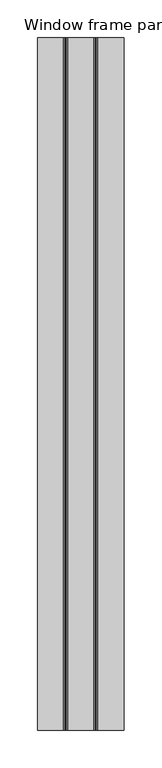
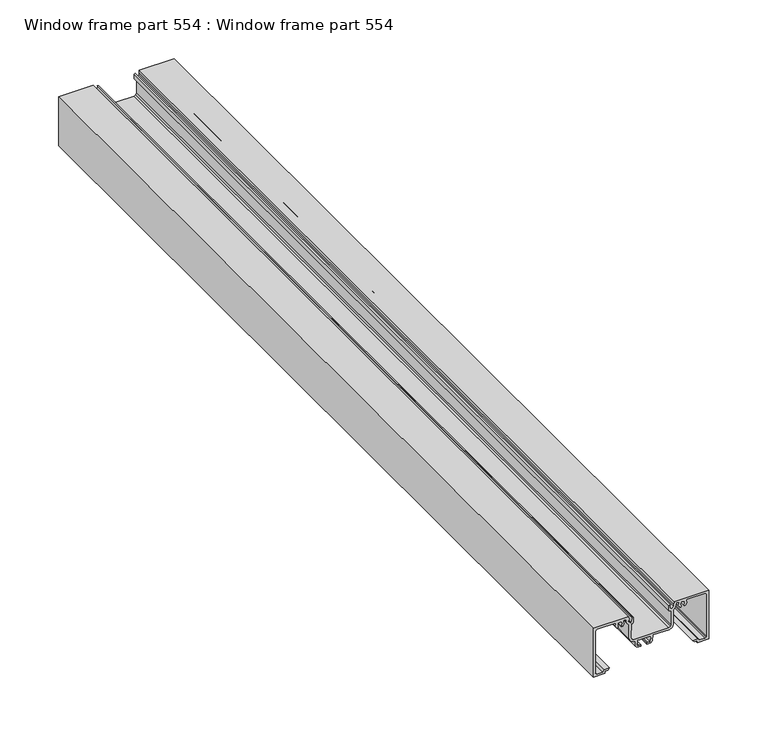
"""IFC4 building model written with IfcOpenShell, lengths in millimetres: proxy geometry, Window frame part 554 : Window frame part 554."""

from ifc_helpers import new_model, si_unit, frame, origin, place, context, project, spatial, polyline, outline, extrude, source, transform, mapped, element, save


def window_frame_part_554_window_frame_part_554_cf18fcae(model_context):
    return source(origin(), model_context, "Body", "SweptSolid", [
        extrude(outline(polyline([(1330.2839005, 37542.1791343), (1330.2839005, 37553.7361343), (1332.3159005, 37553.7361343), (1332.3159005, 37556.4793343), (1334.3479005, 37558.0541343), (1334.3479005, 37553.2281343), (1332.3085402, 37551.7452355), (1332.3085402, 37545.7350073), (1333.8362204, 37544.2073271), (1377.5279005, 37544.2073271), (1379.0537406, 37545.7331672), (1379.0537406, 37564.2204966), (1378.3022571, 37564.6673438), (1375.6438778, 37564.2159011), (1373.2607005, 37565.4773475), (1373.2607005, 37566.5940707), (1374.3433847, 37566.9537977), (1375.1022004, 37566.2641152), (1378.0149489, 37566.6475858), (1378.3984195, 37569.5603344), (1376.3087003, 37570.7668343), (1374.0095093, 37569.6812731), (1373.2607005, 37570.1135981), (1373.2607005, 37571.2303213), (1375.6438778, 37572.4917677), (1378.3022571, 37572.040325), (1379.0519005, 37572.4871722), (1378.5439005, 37574.8067043), (1376.6592205, 37574.8067043), (1374.772584, 37575.5886336), (1372.804946, 37577.2945073), (1357.9699005, 37577.2945073), (1354.9166134, 37578.5592202), (1353.6519005, 37581.6125073), (1353.2709005, 37583.6064073), (1347.9369005, 37583.6064073), (1346.1589005, 37585.3844073), (1346.1589005, 37588.9659343), (1347.8226005, 37588.9659343), (1347.4289005, 37587.7976384), (1347.8099005, 37585.3845343), (1353.6519005, 37585.7655343), (1353.2582005, 37588.1785343), (1353.6519005, 37588.9659343), (1353.2582005, 37595.3159343), (1353.6519005, 37596.4842301), (1353.2709005, 37598.8973343), (1347.4289005, 37598.5163343), (1347.8226005, 37596.1033343), (1347.8226005, 37595.3159343), (1346.1589005, 37595.3159343), (1346.1589005, 37598.8973343), (1347.9369005, 37600.6753343), (1353.6519005, 37601.1833343), (1353.6519005, 37617.0456343), (1354.9166134, 37620.0989214), (1357.9699005, 37621.3636343), (1372.804946, 37621.3636343), (1374.7733665, 37623.0702911), (1376.6592203, 37623.8514373), (1379.0519005, 37624.3594373), (1379.0519005, 37626.1709696), (1378.3022571, 37626.6178168), (1375.6438778, 37626.1663741), (1373.2607005, 37627.4278205), (1373.2607005, 37628.5445437), (1374.3433847, 37628.9042707), (1376.5729276, 37628.034298), (1378.3377082, 37629.206173), (1378.3984195, 37631.5108074), (1376.3087003, 37632.7173073), (1374.0095093, 37631.6317461), (1373.2607005, 37632.0640711), (1373.3452161, 37633.267792), (1375.6438778, 37634.4422407), (1378.3022571, 37633.990798), (1379.0519005, 37634.4376452), (1379.0519005, 37652.9230073), (1377.5279005, 37654.4470073), (1333.8399005, 37654.4470073), (1332.7622698, 37654.000638), (1332.3159005, 37652.9230073), (1332.8239005, 37646.9540073), (1334.3479005, 37645.4300073), (1333.8907005, 37640.6040073), (1332.3159005, 37642.1788073), (1332.3159005, 37644.9220073), (1330.2839005, 37644.9220073), (1330.2839005, 37656.4790073), (1381.0579102, 37656.4790073), (1381.0579102, 37621.9888712), (1378.4804005, 37621.8194373), (1376.2109105, 37621.6327473), (1374.5180005, 37619.9398373), (1374.9203812, 37618.3774084), (1377.5152005, 37617.8075073), (1378.4804005, 37617.8075073), (1379.2932005, 37618.0361073), (1378.8091174, 37616.8154242), (1373.6545275, 37616.7915073), (1373.2480005, 37617.7568343), (1372.7400005, 37619.3316343), (1358.2239005, 37619.3316343), (1356.4278493, 37618.5876855), (1355.6839005, 37616.7916343), (1355.6839005, 37581.8665073), (1356.4278493, 37580.0704561), (1358.2239005, 37579.3265073), (1373.2480005, 37579.8345073), (1372.6892005, 37580.9013073), (1373.6545275, 37581.8666343), (1378.7852005, 37581.8666343), (1379.2932005, 37580.6220343), (1378.4804005, 37580.8506343), (1374.5172977, 37579.7838343), (1374.5172977, 37578.7176015), (1376.6592205, 37576.8387043), (1378.4804005, 37577.5753043), (1381.0839005, 37576.6686254), (1381.0839005, 37542.1791343), (1330.2839005, 37542.1791343)])), frame((0.0, -19576.8264269, 0.0), z_axis=(0.0, 1.0, 0.0), x_axis=(0.0, 0.0, 1.0)), (0.0, 0.0, 1.0), 914.4),
    ])


if __name__ == "__main__":
    model = new_model("IFC4")
    model_context = context("Model", 3, world=origin())
    ifc_project = project(units=[si_unit("LENGTHUNIT", "METRE", prefix="MILLI")], contexts=[model_context])
    site = spatial("IfcSite", under=ifc_project)
    building = spatial("IfcBuilding", under=site)
    placement = place(None, origin())
    window_frame_part_554_window_frame_part_554_shape = window_frame_part_554_window_frame_part_554_cf18fcae(model_context)
    element("IfcBuildingElementProxy", 1, Name="Window frame part 554 : Window frame part 554", ObjectType="Window frame part 554 : Window frame part 554", at=placement, inside=building, context=model_context, shape_type="MappedRepresentation", body=[
        mapped(window_frame_part_554_window_frame_part_554_shape, transform((0.0, 0.0, 0.0), x_axis=(1.0, 0.0, 0.0), y_axis=(0.0, 1.0, 0.0), z_axis=(0.0, 0.0, 1.0))),
    ])
    save(model, "model.ifc")
